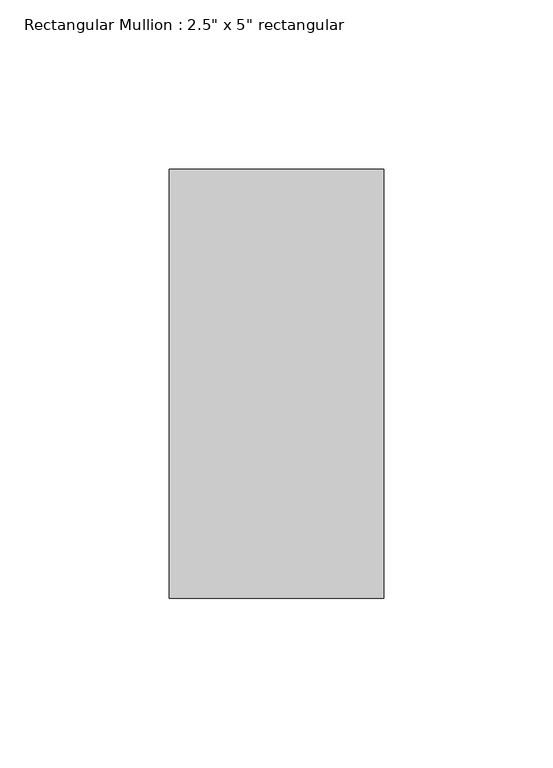
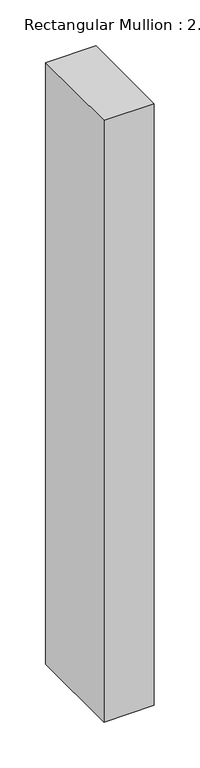
"""IFC4 building model written with IfcOpenShell, lengths in millimetres: member geometry."""

from ifc_helpers import new_model, si_unit, frame, origin, place, context, project, spatial, polyline, outline, extrude, source, transform, mapped, element, save


def member_0fd0b264(model_context):
    return source(origin(), model_context, "Body", "SweptSolid", [
        extrude(outline(polyline([(31.75, 63.5), (31.75, -63.5), (-31.75, -63.5), (-31.75, 63.5), (31.75, 63.5)])), frame((0.0, 0.0, -801.8652822), z_axis=(0.0, 0.0, 1.0), x_axis=(1.0, 0.0, 0.0)), (0.0, 0.0, 1.0), 801.8652822),
    ])


if __name__ == "__main__":
    model = new_model("IFC4")
    model_context = context("Model", 3, world=origin())
    ifc_project = project(units=[si_unit("LENGTHUNIT", "METRE", prefix="MILLI")], contexts=[model_context])
    site = spatial("IfcSite", under=ifc_project)
    building = spatial("IfcBuilding", under=site)
    placement = place(None, origin())
    member_shape = member_0fd0b264(model_context)
    element("IfcMember", 1, ObjectType="Rectangular Mullion : 2.5\" x 5\" rectangular", at=placement, inside=building, context=model_context, shape_type="MappedRepresentation", body=[
        mapped(member_shape, transform((0.0, 0.0, 0.0), x_axis=(1.0, 0.0, 0.0), y_axis=(0.0, 1.0, 0.0), z_axis=(0.0, 0.0, 1.0))),
    ])
    save(model, "model.ifc")
